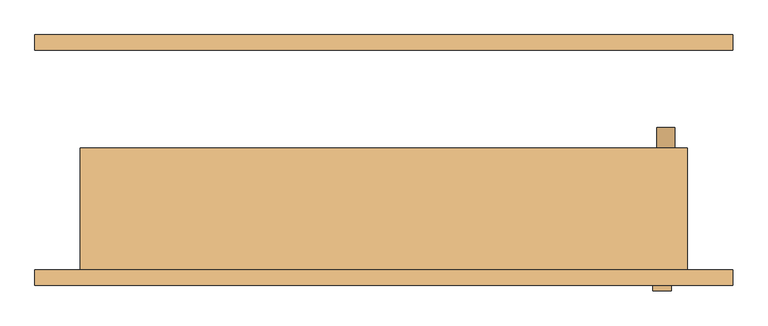
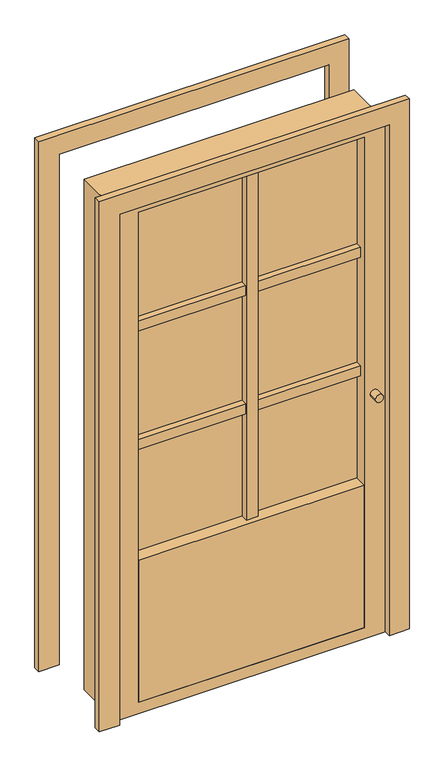
"""IFC4 building model written with IfcOpenShell, lengths in millimetres: door geometry."""

from ifc_helpers import new_model, si_unit, point, frame, frame_2d, origin, place, context, project, spatial, polyline, circle_curve, trimmed, segment, composite_curve, outline, extrude, source, transform, mapped, element, save


def door_15cb1f47(model_context):
    return source(origin(), model_context, "Body", "SweptSolid", [
        extrude(outline(polyline([(2000.0, -500.0), (2000.0, 500.0), (0.0, 500.0), (0.0, 575.0), (2075.0, 575.0), (2075.0, -575.0), (0.0, -575.0), (0.0, -500.0), (2000.0, -500.0)])), frame((0.0, 181.5, 0.0), z_axis=(0.0, 1.0, 0.0), x_axis=(0.0, 0.0, 1.0)), (0.0, 0.0, 1.0), 25.0),
        extrude(outline(polyline([(2075.0, -575.0), (0.0, -575.0), (0.0, -500.0), (2000.0, -500.0), (2000.0, 500.0), (0.0, 500.0), (0.0, 575.0), (2075.0, 575.0), (2075.0, -575.0)])), frame((0.0, -206.5, 0.0), z_axis=(0.0, 1.0, 0.0), x_axis=(0.0, 0.0, 1.0)), (0.0, 0.0, 1.0), 25.0),
        extrude(outline(polyline([(422.473882, -133.5), (-415.0, -133.5), (-415.0, -131.5), (422.473882, -131.5), (422.473882, -133.5)])), frame((0.0, 0.0, 599.8228191), z_axis=(0.0, 0.0, 1.0), x_axis=(1.0, 0.0, 0.0)), (0.0, 0.0, 1.0), 1363.6242112),
        extrude(outline(polyline([(40.0, -161.2253953), (-3.4048038, -161.2253953), (-3.4048038, -96.2253953), (40.0, -96.2253953), (40.0, -161.2253953)])), frame((0.0, 0.0, 599.8228191), z_axis=(0.0, 0.0, 1.0), x_axis=(1.0, 0.0, 0.0)), (0.0, 0.0, 1.0), 1363.6242112),
        extrude(outline(polyline([(2000.0, 500.0), (2000.0, -500.0), (0.0, -500.0), (0.0, 500.0), (2000.0, 500.0)]), holes=[polyline([(43.4470303, 422.473882), (43.4470303, -415.0), (1963.4470303, -415.0), (1963.4470303, 422.473882), (43.4470303, 422.473882)])]), frame((0.0, -181.5, 0.0), z_axis=(0.0, 1.0, 0.0), x_axis=(0.0, 0.0, 1.0)), (0.0, 0.0, 1.0), 201.5),
        extrude(outline(composite_curve([segment(trimmed(circle_curve(frame_2d((946.6881448, 464.9196404)), 15.0), [point((946.6881448, 479.9196404))], [point((946.6881448, 449.9196404))], False, "CARTESIAN"), True, "CONTINUOUS"), segment(trimmed(circle_curve(frame_2d((946.6881448, 464.9196404)), 15.0), [point((946.6881448, 449.9196404))], [point((946.6881448, 479.9196404))], False, "CARTESIAN"), True, "CONTINUOUS")], self_intersect=False)), frame((0.0, 20.0, 0.0), z_axis=(0.0, 1.0, 0.0), x_axis=(0.0, 0.0, 1.0)), (0.0, 0.0, 1.0), 33.9),
        extrude(outline(composite_curve([segment(trimmed(circle_curve(frame_2d((948.2153091, 458.8894284)), 15.0), [point((948.2153091, 443.8894284))], [point((948.2153091, 473.8894284))], False, "CARTESIAN"), True, "CONTINUOUS"), segment(trimmed(circle_curve(frame_2d((948.2153091, 458.8894284)), 15.0), [point((948.2153091, 473.8894284))], [point((948.2153091, 443.8894284))], False, "CARTESIAN"), True, "CONTINUOUS")], self_intersect=False)), frame((0.0, -215.426138, 0.0), z_axis=(0.0, 1.0, 0.0), x_axis=(0.0, 0.0, 1.0)), (0.0, 0.0, 1.0), 33.926138),
        extrude(outline(polyline([(422.473882, -111.8287398), (422.473882, -156.2253953), (-415.0, -156.2253953), (-415.0, -111.8287398), (422.473882, -111.8287398)])), frame((0.0, 0.0, 1477.103294), z_axis=(0.0, 0.0, 1.0), x_axis=(1.0, 0.0, 0.0)), (0.0, 0.0, 1.0), 40.1724937),
        extrude(outline(polyline([(422.473882, -112.1033445), (422.473882, -156.5), (-415.0, -156.5), (-415.0, -112.1033445), (422.473882, -112.1033445)])), frame((0.0, 0.0, 1013.5063999), z_axis=(0.0, 0.0, 1.0), x_axis=(1.0, 0.0, 0.0)), (0.0, 0.0, 1.0), 40.1724937),
        extrude(outline(polyline([(422.473882, -181.5), (-415.0, -181.5), (-415.0, -86.5), (422.473882, -86.5), (422.473882, -181.5)])), frame((0.0, 0.0, 43.4470303), z_axis=(0.0, 0.0, 1.0), x_axis=(1.0, 0.0, 0.0)), (0.0, 0.0, 1.0), 556.3757888),
    ])


if __name__ == "__main__":
    model = new_model("IFC4")
    model_context = context("Model", 3, world=origin())
    ifc_project = project(units=[si_unit("LENGTHUNIT", "METRE", prefix="MILLI")], contexts=[model_context])
    site = spatial("IfcSite", under=ifc_project)
    building = spatial("IfcBuilding", under=site)
    placement = place(None, origin())
    door_shape = door_15cb1f47(model_context)
    element("IfcDoor", 1, at=placement, inside=building, context=model_context, shape_type="MappedRepresentation", body=[
        mapped(door_shape, transform((0.0, 0.0, 0.0), x_axis=(1.0, 0.0, 0.0), y_axis=(0.0, 1.0, 0.0), z_axis=(0.0, 0.0, 1.0))),
    ])
    save(model, "model.ifc")
